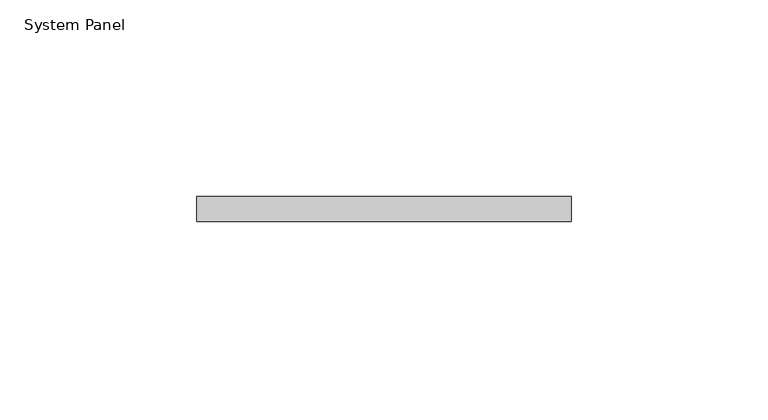
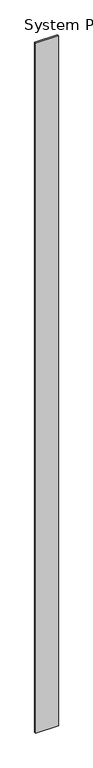
"""IFC4 building model written with IfcOpenShell, lengths in millimetres: plate geometry, System Panel."""

import ifcopenshell
import ifcopenshell.guid

model = None  # the IFC model being written
_history = None  # IfcOwnerHistory: only IFC2X3 demands one
_inside = {}  # id of a spatial element -> (the spatial element, [elements in it])
_under = {}  # id of a project, library or spatial element -> (it, [spatial elements below it])
_declared = {}  # id of a project -> (the project, [libraries it declares])
_typed = {}  # id of a type object -> (the type object, [elements of that type])
_made_of = {}  # id of a material, layer set ... -> (it, [elements and type objects made of it])


def new_model(schema):
    """Start an empty IFC model of exactly this schema.

    Asked for "IFC4X3", IfcOpenShell would pick the latest addendum, in which some entities
    have other attributes; the version numbers below select the first issue.
    IFC2X3 requires an IfcOwnerHistory on every rooted entity: one is made here for all.
    """
    global model, _history
    if schema == "IFC4X3":
        model = ifcopenshell.file(schema_version=(4, 3, 0, 0))
    else:
        model = ifcopenshell.file(schema=schema)
    _inside.clear()
    _under.clear()
    _declared.clear()
    _typed.clear()
    _made_of.clear()
    _history = None
    if model.schema == "IFC2X3":
        org = make("IfcOrganization", Name="unknown")
        user = make(
            "IfcPersonAndOrganization",
            ThePerson=make("IfcPerson", FamilyName="unknown"),
            TheOrganization=org,
        )
        app = make(
            "IfcApplication",
            ApplicationDeveloper=org,
            Version="unknown",
            ApplicationFullName="unknown",
            ApplicationIdentifier="unknown",
        )
        _history = make(
            "IfcOwnerHistory",
            OwningUser=user,
            OwningApplication=app,
            ChangeAction="ADDED",
            CreationDate=0,
        )
    return model


def make(cls, **values):
    """One entity of the class cls with the attributes given. An attribute that is None is left unset."""
    return model.create_entity(
        cls, **{name: value for name, value in values.items() if value is not None}
    )


def rooted(cls, **values):
    """An entity with a GlobalId (a new one), such as an element, a storey or a relation."""
    return make(cls, GlobalId=ifcopenshell.guid.new(), OwnerHistory=_history, **values)


def si_unit(unit_type, name, prefix=None):
    """IfcSIUnit, for example si_unit("LENGTHUNIT", "METRE", prefix="MILLI")."""
    return make("IfcSIUnit", UnitType=unit_type, Prefix=prefix, Name=name)


def assignment(units):
    """IfcUnitAssignment: the units of a project."""
    return None if units is None else make("IfcUnitAssignment", Units=units)


def point(xyz):
    """IfcCartesianPoint."""
    return None if xyz is None else make("IfcCartesianPoint", Coordinates=xyz)


def direction(xyz):
    """IfcDirection."""
    return None if xyz is None else make("IfcDirection", DirectionRatios=xyz)


def frame(location, z_axis=None, x_axis=None):
    """IfcAxis2Placement3D, a coordinate frame: its origin and axes. An axis left out is left unset."""
    return make(
        "IfcAxis2Placement3D",
        Location=point(location),
        Axis=direction(z_axis),
        RefDirection=direction(x_axis),
    )


def origin():
    """The frame at (0, 0, 0) with its axes left unset."""
    return frame((0.0, 0.0, 0.0))


def origin_with_axes():
    """The frame at (0, 0, 0) with the z axis (0, 0, 1) and the x axis (1, 0, 0) written out."""
    return frame((0.0, 0.0, 0.0), z_axis=(0.0, 0.0, 1.0), x_axis=(1.0, 0.0, 0.0))


def place(relative_to, where):
    """IfcLocalPlacement: puts the frame where relative to a parent placement (None: the world)."""
    return make(
        "IfcLocalPlacement", PlacementRelTo=relative_to, RelativePlacement=where
    )


def context(
    kind, dimensions, precision=None, world=None, true_north=None, identifier=None
):
    """IfcGeometricRepresentationContext, for example the 3D "Model" context."""
    return make(
        "IfcGeometricRepresentationContext",
        ContextIdentifier=identifier,
        ContextType=kind,
        CoordinateSpaceDimension=dimensions,
        Precision=precision,
        WorldCoordinateSystem=world,
        TrueNorth=true_north,
    )


def project(units=None, contexts=None):
    """IfcProject with its units and contexts."""
    return rooted(
        "IfcProject",
        Name="project",
        RepresentationContexts=contexts,
        UnitsInContext=assignment(units),
    )


def spatial(cls, under=None, at=None, **own):
    """A site, building, storey or space (cls), placed at a placement, below another one or the project."""
    s = rooted(cls, ObjectPlacement=at, **own)
    if under is not None:
        _under.setdefault(under.id(), (under, []))[1].append(s)
    return s


def polyline(points):
    """IfcPolyline through the points."""
    return make("IfcPolyline", Points=[point(p) for p in points])


def outline(outer, holes=None, kind="AREA"):
    """IfcArbitraryClosedProfileDef: a profile drawn as a closed curve; with holes, ...WithVoids."""
    if holes is None:
        return make("IfcArbitraryClosedProfileDef", ProfileType=kind, OuterCurve=outer)
    return make(
        "IfcArbitraryProfileDefWithVoids",
        ProfileType=kind,
        OuterCurve=outer,
        InnerCurves=holes,
    )


def extrude(swept, where, along, depth):
    """IfcExtrudedAreaSolid: the profile swept, set in the frame where, extruded along a direction by depth."""
    return make(
        "IfcExtrudedAreaSolid",
        SweptArea=swept,
        Position=where,
        ExtrudedDirection=direction(along),
        Depth=depth,
    )


def shape(context_of_items, identifier, shape_type, items):
    """IfcShapeRepresentation: the items that make up one representation, for example the "Body"."""
    return make(
        "IfcShapeRepresentation",
        ContextOfItems=context_of_items,
        RepresentationIdentifier=identifier,
        RepresentationType=shape_type,
        Items=items,
    )


def source(mapping_origin, context_of_items, identifier, shape_type, items):
    """IfcRepresentationMap: a shape defined once, which mapped items show again and again."""
    return make(
        "IfcRepresentationMap",
        MappingOrigin=mapping_origin,
        MappedRepresentation=shape(context_of_items, identifier, shape_type, items),
    )


def transform(
    local_origin,
    x_axis=None,
    y_axis=None,
    z_axis=None,
    scale=None,
    scale2=None,
    scale3=None,
    uniform=True,
):
    """IfcCartesianTransformationOperator3D, or its non-uniform kind. x_axis, y_axis, z_axis: its Axis1, 2, 3."""
    if uniform:
        return make(
            "IfcCartesianTransformationOperator3D",
            Axis1=direction(x_axis),
            Axis2=direction(y_axis),
            LocalOrigin=point(local_origin),
            Scale=scale,
            Axis3=direction(z_axis),
        )
    return make(
        "IfcCartesianTransformationOperator3DnonUniform",
        Axis1=direction(x_axis),
        Axis2=direction(y_axis),
        LocalOrigin=point(local_origin),
        Scale=scale,
        Axis3=direction(z_axis),
        Scale2=scale2,
        Scale3=scale3,
    )


def mapped(mapping_source, mapping_target):
    """IfcMappedItem: shows the shape of a source again, moved by a transform."""
    return make(
        "IfcMappedItem", MappingSource=mapping_source, MappingTarget=mapping_target
    )


def made_of(thing, what):
    """Note that an element or type object is made of a material, layer set ...; save() writes the relation."""
    if what is not None:
        _made_of.setdefault(what.id(), (what, []))[1].append(thing)
    return thing


def element(
    cls,
    number,
    at=None,
    inside=None,
    cuts=None,
    type_object=None,
    material=None,
    context=None,
    identifier="Body",
    shape_type=None,
    held_by="IfcProductDefinitionShape",
    body=None,
    shapes=None,
    **own,
):
    """One element of the class cls, such as IfcWall. Its Tag is "e" and its number.

    at: its placement. inside: the storey or other place that contains it. cuts: it is an
    opening in that element (IfcRelVoidsElement). A single representation is given by context,
    identifier, shape_type and body (its items); several are given by shapes. held_by: the class
    of the entity that holds the representations. save() writes the other relations.
    """
    e = rooted(cls, Tag="e%d" % number, ObjectPlacement=at, **own)
    if body is not None:
        shapes = [shape(context, identifier, shape_type, body)]
    if shapes is not None:
        e.Representation = make(held_by, Representations=shapes)
    if inside is not None:
        _inside.setdefault(inside.id(), (inside, []))[1].append(e)
    if cuts is not None:
        rooted(
            "IfcRelVoidsElement", RelatingBuildingElement=cuts, RelatedOpeningElement=e
        )
    if type_object is not None:
        _typed.setdefault(type_object.id(), (type_object, []))[1].append(e)
    return made_of(e, material)


def aggregate(whole, parts):
    """IfcRelAggregates: a whole, such as a stair, and the parts it consists of."""
    return rooted("IfcRelAggregates", RelatingObject=whole, RelatedObjects=parts)


def save(model, path):
    """Write the relations noted so far, then the file.

    IfcRelAggregates (storeys below a building ...), IfcRelContainedInSpatialStructure (elements
    in a storey), IfcRelDefinesByType, IfcRelAssociatesMaterial and IfcRelDeclares: one each for
    every whole, place, type object, material and project.
    """
    for whole, parts in _under.values():
        aggregate(whole, parts)
    for where, things in _inside.values():
        rooted(
            "IfcRelContainedInSpatialStructure",
            RelatedElements=things,
            RelatingStructure=where,
        )
    for kind, things in _typed.values():
        rooted("IfcRelDefinesByType", RelatedObjects=things, RelatingType=kind)
    for what, things in _made_of.values():
        rooted("IfcRelAssociatesMaterial", RelatedObjects=things, RelatingMaterial=what)
    for by, libraries in _declared.values():
        rooted("IfcRelDeclares", RelatingContext=by, RelatedDefinitions=libraries)
    model.write(path)


def system_panel_5daed938(model_context):
    return source(origin(), model_context, "Body", "SweptSolid", [
        extrude(outline(polyline([(47.625, -6.35), (-47.625, -6.35), (-47.625, 0.0), (47.625, 0.0), (47.625, -6.35)])), origin_with_axes(), (0.0, 0.0, 1.0), 3048.0),
    ])


if __name__ == "__main__":
    model = new_model("IFC4")
    model_context = context("Model", 3, world=origin())
    ifc_project = project(units=[si_unit("LENGTHUNIT", "METRE", prefix="MILLI")], contexts=[model_context])
    site = spatial("IfcSite", under=ifc_project)
    building = spatial("IfcBuilding", under=site)
    placement = place(None, origin())
    system_panel_shape = system_panel_5daed938(model_context)
    element("IfcPlate", 1, ObjectType="System Panel", at=placement, inside=building, context=model_context, shape_type="MappedRepresentation", body=[
        mapped(system_panel_shape, transform((0.0, 0.0, 0.0), x_axis=(1.0, 0.0, 0.0), y_axis=(0.0, 1.0, 0.0), z_axis=(0.0, 0.0, 1.0))),
    ])
    save(model, "model.ifc")
